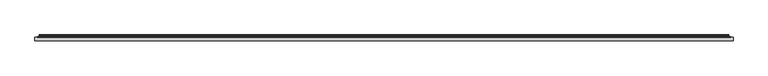
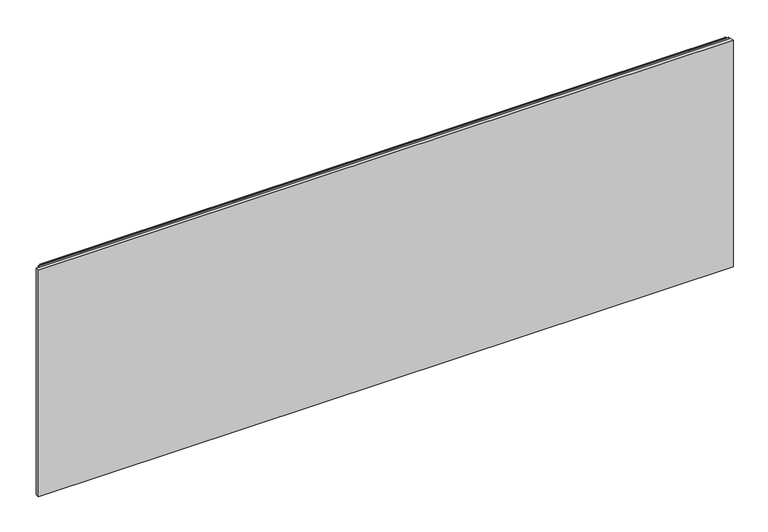
"""IFC4 building model written with IfcOpenShell, lengths in millimetres: furniture geometry."""

import ifcopenshell
import ifcopenshell.guid

model = None  # the IFC model being written
_history = None  # IfcOwnerHistory: only IFC2X3 demands one
_inside = {}  # id of a spatial element -> (the spatial element, [elements in it])
_under = {}  # id of a project, library or spatial element -> (it, [spatial elements below it])
_declared = {}  # id of a project -> (the project, [libraries it declares])
_typed = {}  # id of a type object -> (the type object, [elements of that type])
_made_of = {}  # id of a material, layer set ... -> (it, [elements and type objects made of it])


def new_model(schema):
    """Start an empty IFC model of exactly this schema.

    Asked for "IFC4X3", IfcOpenShell would pick the latest addendum, in which some entities
    have other attributes; the version numbers below select the first issue.
    IFC2X3 requires an IfcOwnerHistory on every rooted entity: one is made here for all.
    """
    global model, _history
    if schema == "IFC4X3":
        model = ifcopenshell.file(schema_version=(4, 3, 0, 0))
    else:
        model = ifcopenshell.file(schema=schema)
    _inside.clear()
    _under.clear()
    _declared.clear()
    _typed.clear()
    _made_of.clear()
    _history = None
    if model.schema == "IFC2X3":
        org = make("IfcOrganization", Name="unknown")
        user = make(
            "IfcPersonAndOrganization",
            ThePerson=make("IfcPerson", FamilyName="unknown"),
            TheOrganization=org,
        )
        app = make(
            "IfcApplication",
            ApplicationDeveloper=org,
            Version="unknown",
            ApplicationFullName="unknown",
            ApplicationIdentifier="unknown",
        )
        _history = make(
            "IfcOwnerHistory",
            OwningUser=user,
            OwningApplication=app,
            ChangeAction="ADDED",
            CreationDate=0,
        )
    return model


def make(cls, **values):
    """One entity of the class cls with the attributes given. An attribute that is None is left unset."""
    return model.create_entity(
        cls, **{name: value for name, value in values.items() if value is not None}
    )


def rooted(cls, **values):
    """An entity with a GlobalId (a new one), such as an element, a storey or a relation."""
    return make(cls, GlobalId=ifcopenshell.guid.new(), OwnerHistory=_history, **values)


def si_unit(unit_type, name, prefix=None):
    """IfcSIUnit, for example si_unit("LENGTHUNIT", "METRE", prefix="MILLI")."""
    return make("IfcSIUnit", UnitType=unit_type, Prefix=prefix, Name=name)


def assignment(units):
    """IfcUnitAssignment: the units of a project."""
    return None if units is None else make("IfcUnitAssignment", Units=units)


def point(xyz):
    """IfcCartesianPoint."""
    return None if xyz is None else make("IfcCartesianPoint", Coordinates=xyz)


def direction(xyz):
    """IfcDirection."""
    return None if xyz is None else make("IfcDirection", DirectionRatios=xyz)


def frame(location, z_axis=None, x_axis=None):
    """IfcAxis2Placement3D, a coordinate frame: its origin and axes. An axis left out is left unset."""
    return make(
        "IfcAxis2Placement3D",
        Location=point(location),
        Axis=direction(z_axis),
        RefDirection=direction(x_axis),
    )


def frame_2d(location, x_axis=None):
    """IfcAxis2Placement2D, a coordinate frame in the plane: its origin and x axis."""
    return make(
        "IfcAxis2Placement2D", Location=point(location), RefDirection=direction(x_axis)
    )


def origin():
    """The frame at (0, 0, 0) with its axes left unset."""
    return frame((0.0, 0.0, 0.0))


def place(relative_to, where):
    """IfcLocalPlacement: puts the frame where relative to a parent placement (None: the world)."""
    return make(
        "IfcLocalPlacement", PlacementRelTo=relative_to, RelativePlacement=where
    )


def context(
    kind, dimensions, precision=None, world=None, true_north=None, identifier=None
):
    """IfcGeometricRepresentationContext, for example the 3D "Model" context."""
    return make(
        "IfcGeometricRepresentationContext",
        ContextIdentifier=identifier,
        ContextType=kind,
        CoordinateSpaceDimension=dimensions,
        Precision=precision,
        WorldCoordinateSystem=world,
        TrueNorth=true_north,
    )


def project(units=None, contexts=None):
    """IfcProject with its units and contexts."""
    return rooted(
        "IfcProject",
        Name="project",
        RepresentationContexts=contexts,
        UnitsInContext=assignment(units),
    )


def spatial(cls, under=None, at=None, **own):
    """A site, building, storey or space (cls), placed at a placement, below another one or the project."""
    s = rooted(cls, ObjectPlacement=at, **own)
    if under is not None:
        _under.setdefault(under.id(), (under, []))[1].append(s)
    return s


def polyline(points):
    """IfcPolyline through the points."""
    return make("IfcPolyline", Points=[point(p) for p in points])


def circle_curve(where, radius):
    """IfcCircle in the frame where."""
    return make("IfcCircle", Position=where, Radius=radius)


def trimmed(basis, trim1, trim2, sense, master):
    """IfcTrimmedCurve: the piece of a basis curve between two trims."""
    return make(
        "IfcTrimmedCurve",
        BasisCurve=basis,
        Trim1=trim1,
        Trim2=trim2,
        SenseAgreement=sense,
        MasterRepresentation=master,
    )


def segment(curve, same_sense, transition):
    """IfcCompositeCurveSegment."""
    return make(
        "IfcCompositeCurveSegment",
        Transition=transition,
        SameSense=same_sense,
        ParentCurve=curve,
    )


def composite_curve(segments, self_intersect=None):
    """IfcCompositeCurve: segments joined end to end."""
    return make("IfcCompositeCurve", Segments=segments, SelfIntersect=self_intersect)


def outline(outer, holes=None, kind="AREA"):
    """IfcArbitraryClosedProfileDef: a profile drawn as a closed curve; with holes, ...WithVoids."""
    if holes is None:
        return make("IfcArbitraryClosedProfileDef", ProfileType=kind, OuterCurve=outer)
    return make(
        "IfcArbitraryProfileDefWithVoids",
        ProfileType=kind,
        OuterCurve=outer,
        InnerCurves=holes,
    )


def extrude(swept, where, along, depth):
    """IfcExtrudedAreaSolid: the profile swept, set in the frame where, extruded along a direction by depth."""
    return make(
        "IfcExtrudedAreaSolid",
        SweptArea=swept,
        Position=where,
        ExtrudedDirection=direction(along),
        Depth=depth,
    )


def shape(context_of_items, identifier, shape_type, items):
    """IfcShapeRepresentation: the items that make up one representation, for example the "Body"."""
    return make(
        "IfcShapeRepresentation",
        ContextOfItems=context_of_items,
        RepresentationIdentifier=identifier,
        RepresentationType=shape_type,
        Items=items,
    )


def source(mapping_origin, context_of_items, identifier, shape_type, items):
    """IfcRepresentationMap: a shape defined once, which mapped items show again and again."""
    return make(
        "IfcRepresentationMap",
        MappingOrigin=mapping_origin,
        MappedRepresentation=shape(context_of_items, identifier, shape_type, items),
    )


def transform(
    local_origin,
    x_axis=None,
    y_axis=None,
    z_axis=None,
    scale=None,
    scale2=None,
    scale3=None,
    uniform=True,
):
    """IfcCartesianTransformationOperator3D, or its non-uniform kind. x_axis, y_axis, z_axis: its Axis1, 2, 3."""
    if uniform:
        return make(
            "IfcCartesianTransformationOperator3D",
            Axis1=direction(x_axis),
            Axis2=direction(y_axis),
            LocalOrigin=point(local_origin),
            Scale=scale,
            Axis3=direction(z_axis),
        )
    return make(
        "IfcCartesianTransformationOperator3DnonUniform",
        Axis1=direction(x_axis),
        Axis2=direction(y_axis),
        LocalOrigin=point(local_origin),
        Scale=scale,
        Axis3=direction(z_axis),
        Scale2=scale2,
        Scale3=scale3,
    )


def mapped(mapping_source, mapping_target):
    """IfcMappedItem: shows the shape of a source again, moved by a transform."""
    return make(
        "IfcMappedItem", MappingSource=mapping_source, MappingTarget=mapping_target
    )


def made_of(thing, what):
    """Note that an element or type object is made of a material, layer set ...; save() writes the relation."""
    if what is not None:
        _made_of.setdefault(what.id(), (what, []))[1].append(thing)
    return thing


def element(
    cls,
    number,
    at=None,
    inside=None,
    cuts=None,
    type_object=None,
    material=None,
    context=None,
    identifier="Body",
    shape_type=None,
    held_by="IfcProductDefinitionShape",
    body=None,
    shapes=None,
    **own,
):
    """One element of the class cls, such as IfcWall. Its Tag is "e" and its number.

    at: its placement. inside: the storey or other place that contains it. cuts: it is an
    opening in that element (IfcRelVoidsElement). A single representation is given by context,
    identifier, shape_type and body (its items); several are given by shapes. held_by: the class
    of the entity that holds the representations. save() writes the other relations.
    """
    e = rooted(cls, Tag="e%d" % number, ObjectPlacement=at, **own)
    if body is not None:
        shapes = [shape(context, identifier, shape_type, body)]
    if shapes is not None:
        e.Representation = make(held_by, Representations=shapes)
    if inside is not None:
        _inside.setdefault(inside.id(), (inside, []))[1].append(e)
    if cuts is not None:
        rooted(
            "IfcRelVoidsElement", RelatingBuildingElement=cuts, RelatedOpeningElement=e
        )
    if type_object is not None:
        _typed.setdefault(type_object.id(), (type_object, []))[1].append(e)
    return made_of(e, material)


def aggregate(whole, parts):
    """IfcRelAggregates: a whole, such as a stair, and the parts it consists of."""
    return rooted("IfcRelAggregates", RelatingObject=whole, RelatedObjects=parts)


def save(model, path):
    """Write the relations noted so far, then the file.

    IfcRelAggregates (storeys below a building ...), IfcRelContainedInSpatialStructure (elements
    in a storey), IfcRelDefinesByType, IfcRelAssociatesMaterial and IfcRelDeclares: one each for
    every whole, place, type object, material and project.
    """
    for whole, parts in _under.values():
        aggregate(whole, parts)
    for where, things in _inside.values():
        rooted(
            "IfcRelContainedInSpatialStructure",
            RelatedElements=things,
            RelatingStructure=where,
        )
    for kind, things in _typed.values():
        rooted("IfcRelDefinesByType", RelatedObjects=things, RelatingType=kind)
    for what, things in _made_of.values():
        rooted("IfcRelAssociatesMaterial", RelatedObjects=things, RelatingMaterial=what)
    for by, libraries in _declared.values():
        rooted("IfcRelDeclares", RelatingContext=by, RelatedDefinitions=libraries)
    model.write(path)


def furniture_562558ec(model_context):
    return source(origin(), model_context, "Body", "SweptSolid", [
        extrude(outline(polyline([(1.778, 1.45288), (1.778, 10.9778796), (1827.0219835, 10.9778796), (1827.0219835, 1.45288), (1.778, 1.45288)])), frame((0.0, 0.0, 103.1748), z_axis=(0.0, 0.0, 1.0), x_axis=(1.0, 0.0, 0.0)), (0.0, 0.0, 1.0), 628.5991897),
        extrude(outline(composite_curve([segment(polyline([(10.9778796, 736.2000051), (10.9778796, 737.142493)]), True, "CONTINUOUS"), segment(trimmed(circle_curve(frame_2d((11.6164846, 737.142493)), 0.638605), [point((10.9778796, 737.142493))], [point((11.6164846, 737.781098))], False, "CARTESIAN"), True, "CONTINUOUS"), segment(polyline([(11.6164846, 737.781098), (13.251317, 737.781098)]), True, "CONTINUOUS"), segment(trimmed(circle_curve(frame_2d((13.251317, 735.407778)), 2.37332), [point((13.251317, 737.781098))], [point((15.6071079, 735.1198601))], False, "CARTESIAN"), True, "CONTINUOUS"), segment(polyline([(15.6071079, 735.1198601), (15.2080413, 731.8546313)]), True, "CONTINUOUS"), segment(trimmed(circle_curve(frame_2d((17.5068753, 731.5736746)), 2.3159393), [point((15.2080413, 731.8546313))], [point((15.5012134, 730.4157044))], True, "CARTESIAN"), True, "CONTINUOUS"), segment(polyline([(15.5012134, 730.4157044), (16.6600675, 728.4085113), (15.9781592, 728.0148112), (14.819305, 730.0220043)]), True, "CONTINUOUS"), segment(trimmed(circle_curve(frame_2d((17.5068753, 731.5736746)), 3.1033393), [point((14.819305, 730.0220043))], [point((14.4264569, 731.9501543))], False, "CARTESIAN"), True, "CONTINUOUS"), segment(polyline([(14.4264569, 731.9501543), (14.8255236, 735.2153831)]), True, "CONTINUOUS"), segment(trimmed(circle_curve(frame_2d((13.251317, 735.407778)), 1.58592), [point((14.8255236, 735.2153831))], [point((13.251317, 736.993698))], True, "CARTESIAN"), True, "CONTINUOUS"), segment(polyline([(13.251317, 736.993698), (11.7652796, 736.993698), (11.7652796, 736.2000051), (10.9778796, 736.2000051)]), True, "CONTINUOUS")], self_intersect=False)), frame((13.7160002, 0.0, 0.0), z_axis=(1.0, 0.0, 0.0), x_axis=(0.0, 1.0, 0.0)), (0.0, 0.0, 1.0), 1801.3680076),
        extrude(outline(polyline([(8.1280002, 10.9778796), (8.1280002, 11.7652796), (1820.6720078, 11.7652796), (1820.6720078, 10.9778796), (8.1280002, 10.9778796)])), frame((0.0, 0.0, 705.9168108), z_axis=(0.0, 0.0, 1.0), x_axis=(1.0, 0.0, 0.0)), (0.0, 0.0, 1.0), 30.8009179),
    ])


if __name__ == "__main__":
    model = new_model("IFC4")
    model_context = context("Model", 3, world=origin())
    ifc_project = project(units=[si_unit("LENGTHUNIT", "METRE", prefix="MILLI")], contexts=[model_context])
    site = spatial("IfcSite", under=ifc_project)
    building = spatial("IfcBuilding", under=site)
    placement = place(None, origin())
    furniture_shape = furniture_562558ec(model_context)
    element("IfcFurniture", 1, at=placement, inside=building, context=model_context, shape_type="MappedRepresentation", body=[
        mapped(furniture_shape, transform((0.0, 0.0, 0.0), x_axis=(1.0, 0.0, 0.0), y_axis=(0.0, 1.0, 0.0), z_axis=(0.0, 0.0, 1.0))),
    ])
    save(model, "model.ifc")
